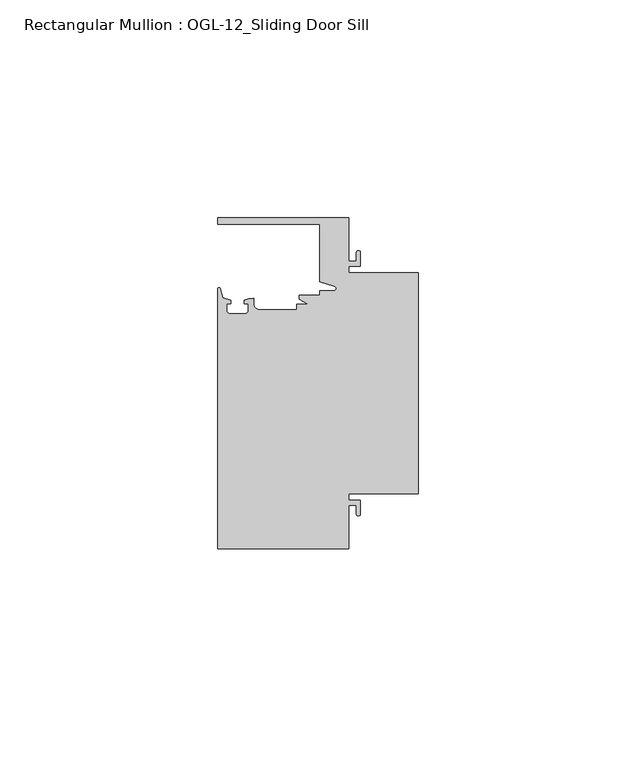
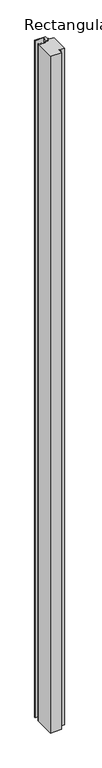
"""IFC4 building model written with IfcOpenShell, lengths in millimetres: member geometry, Rectangular Mullion : OGL-12_Sliding Door Sill."""

import ifcopenshell
import ifcopenshell.guid

model = None  # the IFC model being written
_history = None  # IfcOwnerHistory: only IFC2X3 demands one
_inside = {}  # id of a spatial element -> (the spatial element, [elements in it])
_under = {}  # id of a project, library or spatial element -> (it, [spatial elements below it])
_declared = {}  # id of a project -> (the project, [libraries it declares])
_typed = {}  # id of a type object -> (the type object, [elements of that type])
_made_of = {}  # id of a material, layer set ... -> (it, [elements and type objects made of it])


def new_model(schema):
    """Start an empty IFC model of exactly this schema.

    Asked for "IFC4X3", IfcOpenShell would pick the latest addendum, in which some entities
    have other attributes; the version numbers below select the first issue.
    IFC2X3 requires an IfcOwnerHistory on every rooted entity: one is made here for all.
    """
    global model, _history
    if schema == "IFC4X3":
        model = ifcopenshell.file(schema_version=(4, 3, 0, 0))
    else:
        model = ifcopenshell.file(schema=schema)
    _inside.clear()
    _under.clear()
    _declared.clear()
    _typed.clear()
    _made_of.clear()
    _history = None
    if model.schema == "IFC2X3":
        org = make("IfcOrganization", Name="unknown")
        user = make(
            "IfcPersonAndOrganization",
            ThePerson=make("IfcPerson", FamilyName="unknown"),
            TheOrganization=org,
        )
        app = make(
            "IfcApplication",
            ApplicationDeveloper=org,
            Version="unknown",
            ApplicationFullName="unknown",
            ApplicationIdentifier="unknown",
        )
        _history = make(
            "IfcOwnerHistory",
            OwningUser=user,
            OwningApplication=app,
            ChangeAction="ADDED",
            CreationDate=0,
        )
    return model


def make(cls, **values):
    """One entity of the class cls with the attributes given. An attribute that is None is left unset."""
    return model.create_entity(
        cls, **{name: value for name, value in values.items() if value is not None}
    )


def rooted(cls, **values):
    """An entity with a GlobalId (a new one), such as an element, a storey or a relation."""
    return make(cls, GlobalId=ifcopenshell.guid.new(), OwnerHistory=_history, **values)


def si_unit(unit_type, name, prefix=None):
    """IfcSIUnit, for example si_unit("LENGTHUNIT", "METRE", prefix="MILLI")."""
    return make("IfcSIUnit", UnitType=unit_type, Prefix=prefix, Name=name)


def assignment(units):
    """IfcUnitAssignment: the units of a project."""
    return None if units is None else make("IfcUnitAssignment", Units=units)


def point(xyz):
    """IfcCartesianPoint."""
    return None if xyz is None else make("IfcCartesianPoint", Coordinates=xyz)


def direction(xyz):
    """IfcDirection."""
    return None if xyz is None else make("IfcDirection", DirectionRatios=xyz)


def frame(location, z_axis=None, x_axis=None):
    """IfcAxis2Placement3D, a coordinate frame: its origin and axes. An axis left out is left unset."""
    return make(
        "IfcAxis2Placement3D",
        Location=point(location),
        Axis=direction(z_axis),
        RefDirection=direction(x_axis),
    )


def frame_2d(location, x_axis=None):
    """IfcAxis2Placement2D, a coordinate frame in the plane: its origin and x axis."""
    return make(
        "IfcAxis2Placement2D", Location=point(location), RefDirection=direction(x_axis)
    )


def origin():
    """The frame at (0, 0, 0) with its axes left unset."""
    return frame((0.0, 0.0, 0.0))


def place(relative_to, where):
    """IfcLocalPlacement: puts the frame where relative to a parent placement (None: the world)."""
    return make(
        "IfcLocalPlacement", PlacementRelTo=relative_to, RelativePlacement=where
    )


def context(
    kind, dimensions, precision=None, world=None, true_north=None, identifier=None
):
    """IfcGeometricRepresentationContext, for example the 3D "Model" context."""
    return make(
        "IfcGeometricRepresentationContext",
        ContextIdentifier=identifier,
        ContextType=kind,
        CoordinateSpaceDimension=dimensions,
        Precision=precision,
        WorldCoordinateSystem=world,
        TrueNorth=true_north,
    )


def project(units=None, contexts=None):
    """IfcProject with its units and contexts."""
    return rooted(
        "IfcProject",
        Name="project",
        RepresentationContexts=contexts,
        UnitsInContext=assignment(units),
    )


def spatial(cls, under=None, at=None, **own):
    """A site, building, storey or space (cls), placed at a placement, below another one or the project."""
    s = rooted(cls, ObjectPlacement=at, **own)
    if under is not None:
        _under.setdefault(under.id(), (under, []))[1].append(s)
    return s


def polyline(points):
    """IfcPolyline through the points."""
    return make("IfcPolyline", Points=[point(p) for p in points])


def circle_curve(where, radius):
    """IfcCircle in the frame where."""
    return make("IfcCircle", Position=where, Radius=radius)


def trimmed(basis, trim1, trim2, sense, master):
    """IfcTrimmedCurve: the piece of a basis curve between two trims."""
    return make(
        "IfcTrimmedCurve",
        BasisCurve=basis,
        Trim1=trim1,
        Trim2=trim2,
        SenseAgreement=sense,
        MasterRepresentation=master,
    )


def segment(curve, same_sense, transition):
    """IfcCompositeCurveSegment."""
    return make(
        "IfcCompositeCurveSegment",
        Transition=transition,
        SameSense=same_sense,
        ParentCurve=curve,
    )


def composite_curve(segments, self_intersect=None):
    """IfcCompositeCurve: segments joined end to end."""
    return make("IfcCompositeCurve", Segments=segments, SelfIntersect=self_intersect)


def outline(outer, holes=None, kind="AREA"):
    """IfcArbitraryClosedProfileDef: a profile drawn as a closed curve; with holes, ...WithVoids."""
    if holes is None:
        return make("IfcArbitraryClosedProfileDef", ProfileType=kind, OuterCurve=outer)
    return make(
        "IfcArbitraryProfileDefWithVoids",
        ProfileType=kind,
        OuterCurve=outer,
        InnerCurves=holes,
    )


def extrude(swept, where, along, depth):
    """IfcExtrudedAreaSolid: the profile swept, set in the frame where, extruded along a direction by depth."""
    return make(
        "IfcExtrudedAreaSolid",
        SweptArea=swept,
        Position=where,
        ExtrudedDirection=direction(along),
        Depth=depth,
    )


def shape(context_of_items, identifier, shape_type, items):
    """IfcShapeRepresentation: the items that make up one representation, for example the "Body"."""
    return make(
        "IfcShapeRepresentation",
        ContextOfItems=context_of_items,
        RepresentationIdentifier=identifier,
        RepresentationType=shape_type,
        Items=items,
    )


def source(mapping_origin, context_of_items, identifier, shape_type, items):
    """IfcRepresentationMap: a shape defined once, which mapped items show again and again."""
    return make(
        "IfcRepresentationMap",
        MappingOrigin=mapping_origin,
        MappedRepresentation=shape(context_of_items, identifier, shape_type, items),
    )


def transform(
    local_origin,
    x_axis=None,
    y_axis=None,
    z_axis=None,
    scale=None,
    scale2=None,
    scale3=None,
    uniform=True,
):
    """IfcCartesianTransformationOperator3D, or its non-uniform kind. x_axis, y_axis, z_axis: its Axis1, 2, 3."""
    if uniform:
        return make(
            "IfcCartesianTransformationOperator3D",
            Axis1=direction(x_axis),
            Axis2=direction(y_axis),
            LocalOrigin=point(local_origin),
            Scale=scale,
            Axis3=direction(z_axis),
        )
    return make(
        "IfcCartesianTransformationOperator3DnonUniform",
        Axis1=direction(x_axis),
        Axis2=direction(y_axis),
        LocalOrigin=point(local_origin),
        Scale=scale,
        Axis3=direction(z_axis),
        Scale2=scale2,
        Scale3=scale3,
    )


def mapped(mapping_source, mapping_target):
    """IfcMappedItem: shows the shape of a source again, moved by a transform."""
    return make(
        "IfcMappedItem", MappingSource=mapping_source, MappingTarget=mapping_target
    )


def made_of(thing, what):
    """Note that an element or type object is made of a material, layer set ...; save() writes the relation."""
    if what is not None:
        _made_of.setdefault(what.id(), (what, []))[1].append(thing)
    return thing


def element(
    cls,
    number,
    at=None,
    inside=None,
    cuts=None,
    type_object=None,
    material=None,
    context=None,
    identifier="Body",
    shape_type=None,
    held_by="IfcProductDefinitionShape",
    body=None,
    shapes=None,
    **own,
):
    """One element of the class cls, such as IfcWall. Its Tag is "e" and its number.

    at: its placement. inside: the storey or other place that contains it. cuts: it is an
    opening in that element (IfcRelVoidsElement). A single representation is given by context,
    identifier, shape_type and body (its items); several are given by shapes. held_by: the class
    of the entity that holds the representations. save() writes the other relations.
    """
    e = rooted(cls, Tag="e%d" % number, ObjectPlacement=at, **own)
    if body is not None:
        shapes = [shape(context, identifier, shape_type, body)]
    if shapes is not None:
        e.Representation = make(held_by, Representations=shapes)
    if inside is not None:
        _inside.setdefault(inside.id(), (inside, []))[1].append(e)
    if cuts is not None:
        rooted(
            "IfcRelVoidsElement", RelatingBuildingElement=cuts, RelatedOpeningElement=e
        )
    if type_object is not None:
        _typed.setdefault(type_object.id(), (type_object, []))[1].append(e)
    return made_of(e, material)


def aggregate(whole, parts):
    """IfcRelAggregates: a whole, such as a stair, and the parts it consists of."""
    return rooted("IfcRelAggregates", RelatingObject=whole, RelatedObjects=parts)


def save(model, path):
    """Write the relations noted so far, then the file.

    IfcRelAggregates (storeys below a building ...), IfcRelContainedInSpatialStructure (elements
    in a storey), IfcRelDefinesByType, IfcRelAssociatesMaterial and IfcRelDeclares: one each for
    every whole, place, type object, material and project.
    """
    for whole, parts in _under.values():
        aggregate(whole, parts)
    for where, things in _inside.values():
        rooted(
            "IfcRelContainedInSpatialStructure",
            RelatedElements=things,
            RelatingStructure=where,
        )
    for kind, things in _typed.values():
        rooted("IfcRelDefinesByType", RelatedObjects=things, RelatingType=kind)
    for what, things in _made_of.values():
        rooted("IfcRelAssociatesMaterial", RelatedObjects=things, RelatingMaterial=what)
    for by, libraries in _declared.values():
        rooted("IfcRelDeclares", RelatingContext=by, RelatedDefinitions=libraries)
    model.write(path)


def rectangular_mullion_ogl_12_sliding_door_sill_b363a0c6(model_context):
    return source(origin(), model_context, "Body", "SweptSolid", [
        extrude(outline(composite_curve([segment(polyline([(0.0, 25.4), (0.0, -25.4), (-15.934238, -25.4), (-15.934238, -26.8479425), (-13.2417195, -26.8479425), (-13.2417195, -30.0428503)]), True, "CONTINUOUS"), segment(trimmed(circle_curve(frame_2d((-13.6974747, -30.0428503)), 0.4557552), [point((-13.2417195, -30.0428503))], [point((-14.15323, -30.0428503))], False, "CARTESIAN"), True, "CONTINUOUS"), segment(polyline([(-14.15323, -30.0428503), (-14.15323, -28.0544425), (-15.934238, -28.0544425), (-15.934238, -38.1003208), (-46.0931306, -38.1003208), (-46.0931306, 21.6259141)]), True, "CONTINUOUS"), segment(trimmed(circle_curve(frame_2d((-45.7573546, 21.6259141)), 0.335776), [point((-46.0931306, 21.6259141))], [point((-45.434586, 21.7184665))], False, "CARTESIAN"), True, "CONTINUOUS"), segment(polyline([(-45.434586, 21.7184665), (-44.83413, 19.6244274), (-43.0244711, 19.0364336), (-43.0244711, 18.2246744), (-44.0028338, 18.2246744), (-44.0028338, 16.7746773)]), True, "CONTINUOUS"), segment(trimmed(circle_curve(frame_2d((-43.2028354, 16.7746773)), 0.7999984), [point((-44.0028338, 16.7746773))], [point((-43.2028354, 15.9746789))], True, "CARTESIAN"), True, "CONTINUOUS"), segment(polyline([(-43.2028354, 15.9746789), (-39.8028422, 15.9746789)]), True, "CONTINUOUS"), segment(trimmed(circle_curve(frame_2d((-39.8028422, 16.7746773)), 0.7999984), [point((-39.8028422, 15.9746789))], [point((-39.0028438, 16.7746773))], True, "CARTESIAN"), True, "CONTINUOUS"), segment(polyline([(-39.0028438, 16.7746773), (-39.0028438, 18.2246744), (-39.9812066, 18.2246744), (-39.9812066, 19.0676205), (-38.8813571, 19.4491353), (-37.7528423, 19.4819389), (-37.7528423, 18.2799969)]), True, "CONTINUOUS"), segment(trimmed(circle_curve(frame_2d((-36.3386331, 18.2778896)), 1.4142107), [point((-37.7528423, 18.2799969))], [point((-36.3386331, 16.8636789))], True, "CARTESIAN"), True, "CONTINUOUS"), segment(polyline([(-36.3386331, 16.8636789), (-27.9268052, 16.8636789), (-27.9268052, 18.1505375), (-25.1995125, 18.1505375), (-27.2970068, 19.265795), (-27.2970068, 20.2164975), (-22.6027094, 20.2164975), (-22.6027094, 21.2536528), (-19.3562398, 21.2536528)]), True, "CONTINUOUS"), segment(trimmed(circle_curve(frame_2d((-19.3562398, 21.789076)), 0.5354233), [point((-19.3562398, 21.2536528))], [point((-19.2086572, 22.3037579))], True, "CARTESIAN"), True, "CONTINUOUS"), segment(polyline([(-19.2086572, 22.3037579), (-22.6260049, 23.2836666), (-22.6260049, 36.5121792), (-46.0931306, 36.5121792), (-46.0931306, 38.0996792), (-15.934238, 38.0996792), (-15.934238, 28.0538009), (-14.15323, 28.0538009), (-14.15323, 30.0428503)]), True, "CONTINUOUS"), segment(trimmed(circle_curve(frame_2d((-13.6974747, 30.0428503)), 0.4557552), [point((-14.15323, 30.0428503))], [point((-13.2417195, 30.0428503))], False, "CARTESIAN"), True, "CONTINUOUS"), segment(polyline([(-13.2417195, 30.0428503), (-13.2417195, 26.8473009), (-15.934238, 26.8473009), (-15.934238, 25.4), (0.0, 25.4)]), True, "CONTINUOUS")], self_intersect=False)), frame((0.0, 0.0, -1981.2), z_axis=(0.0, 0.0, 1.0), x_axis=(1.0, 0.0, 0.0)), (0.0, 0.0, 1.0), 1981.2),
    ])


if __name__ == "__main__":
    model = new_model("IFC4")
    model_context = context("Model", 3, world=origin())
    ifc_project = project(units=[si_unit("LENGTHUNIT", "METRE", prefix="MILLI")], contexts=[model_context])
    site = spatial("IfcSite", under=ifc_project)
    building = spatial("IfcBuilding", under=site)
    placement = place(None, origin())
    rectangular_mullion_ogl_12_sliding_door_sill_shape = rectangular_mullion_ogl_12_sliding_door_sill_b363a0c6(model_context)
    element("IfcMember", 1, ObjectType="Rectangular Mullion : OGL-12_Sliding Door Sill", at=placement, inside=building, context=model_context, shape_type="MappedRepresentation", body=[
        mapped(rectangular_mullion_ogl_12_sliding_door_sill_shape, transform((0.0, 0.0, 0.0), x_axis=(1.0, 0.0, 0.0), y_axis=(0.0, 1.0, 0.0), z_axis=(0.0, 0.0, 1.0))),
    ])
    save(model, "model.ifc")
